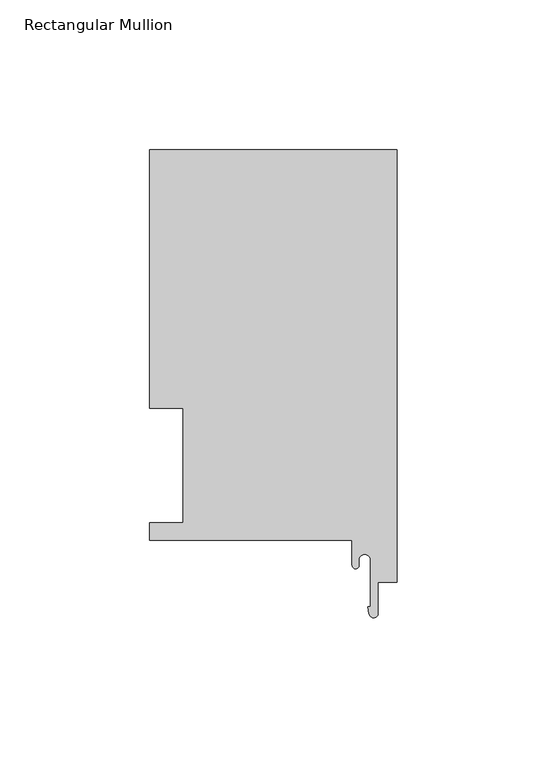
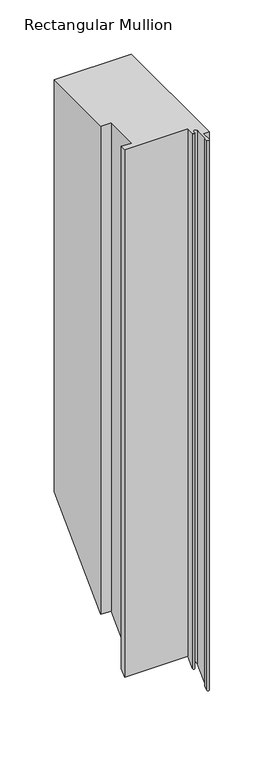
"""IFC4 building model written with IfcOpenShell, lengths in millimetres: member geometry, Rectangular Mullion."""

from ifc_helpers import new_model, si_unit, frame, origin, place, context, project, spatial, polyline, circle_curve, ellipse_curve, source, transform, mapped, element, save
from ifc_brep_helpers import plane_surface, cylinder_surface, revolved_surface, advanced_brep


def rectangular_mullion_2be46d3d(model_context):
    return source(origin(), model_context, "Body", "AdvancedBrep", [
        advanced_brep(
        [(-82.55, 130.6322, 0.0), (-82.55, 44.45, 0.0), (-71.4450019, 44.45, 0.0), (-71.4450019, 6.35, 0.0), (-82.55, 6.35, 0.0), (-82.55, 0.4064, 0.0), (-14.986, 0.4064, 0.0), (-14.986, -7.9405445, 0.0), (-12.7, -7.9405445, 0.0), (-12.7, -6.1214, 0.0), (-8.89, -6.1214, 0.0), (-8.89, -21.7079145, 0.0), (-9.6940977, -21.7079145, 0.0), (-9.338383, -24.1171734, 0.0), (-6.35, -23.8977531, 0.0), (-6.35, -13.5385716, 0.0), (0.0, -13.5385716, 0.0), (0.0, 130.6322, 0.0), (-82.55, 130.6322, -465.0228283), (-82.55, 44.45, -551.2050284), (-71.4450019, 44.45, -551.2050284), (-71.4450019, 6.35, -589.3050284), (-82.55, 6.35, -589.3050284), (-82.55, 0.4064, -595.2486283), (-14.986, 0.4064, -595.2486283), (-14.986, -7.9405445, -603.5955728), (-12.7, -7.9405445, -603.5955728), (-12.7, -6.1214, -601.7764283), (-8.89, -6.1214, -601.7764283), (-8.89, -21.7079145, -617.3629428), (-9.6940977, -21.7079145, -617.3629428), (-9.338383, -24.1171734, -619.7722018), (-6.35, -23.8977531, -619.5527815), (-6.35, -13.5385716, -609.1936), (0.0, -13.5385716, -609.1936), (0.0, 130.6322, -465.0228283)],
        [
            (0, 1),
            (1, 2),
            (2, 3),
            (3, 4),
            (4, 5),
            (5, 6),
            (6, 7),
            (7, 8, circle_curve(frame((-13.843, -7.9405445, 0.0), z_axis=(0.0, 0.0, 1.0), x_axis=(0.0, 1.0, 0.0)), 1.143)),
            (8, 9),
            (9, 10, circle_curve(frame((-10.795, -6.1214, 0.0), z_axis=(0.0, 0.0, -1.0), x_axis=(0.0, 1.0, 0.0)), 1.905)),
            (10, 11),
            (11, 12),
            (12, 13),
            (13, 14, circle_curve(frame((-7.8522469, -23.8977531, 0.0), z_axis=(0.0, 0.0, 1.0), x_axis=(0.0, 1.0, 0.0)), 1.5022469)),
            (14, 15),
            (15, 16),
            (16, 17),
            (17, 0),
            (0, 18),
            (18, 19),
            (19, 1),
            (19, 20),
            (20, 2),
            (20, 21),
            (21, 3),
            (21, 22),
            (22, 4),
            (22, 23),
            (23, 5),
            (23, 24),
            (24, 6),
            (24, 25),
            (25, 7),
            (25, 26, ellipse_curve(frame((-13.843, -7.9405445, -603.5955728), z_axis=(0.0, -0.7071067811865471, 0.707106781186548), x_axis=(0.0, 0.707106781186548, 0.707106781186547)), 1.6164461, 1.143)),
            (26, 8),
            (26, 27),
            (27, 9),
            (27, 28, ellipse_curve(frame((-10.795, -6.1214, -601.7764283), z_axis=(0.0, 0.7071067811865471, -0.707106781186548), x_axis=(0.0, -0.707106781186548, -0.707106781186547)), 2.6940768, 1.905)),
            (28, 10),
            (28, 29),
            (29, 11),
            (29, 30),
            (30, 12),
            (30, 31),
            (31, 13),
            (31, 32, ellipse_curve(frame((-7.8522469, -23.8977531, -619.5527815), z_axis=(0.0, -0.7071067811865471, 0.707106781186548), x_axis=(0.0, 0.707106781186548, 0.707106781186547)), 2.1244979, 1.5022469)),
            (32, 14),
            (32, 33),
            (33, 15),
            (33, 34),
            (34, 16),
            (34, 35),
            (35, 17),
            (35, 18),
        ],
        [
            plane_surface(frame((0.0, -154.5292017, 0.0), z_axis=(0.0, 0.0, 1.0), x_axis=(-1.0, 0.0, 0.0))),
            plane_surface(frame((-82.55, 130.6322, 0.0), z_axis=(-1.0, 0.0, 0.0), x_axis=(0.0, 0.0, -1.0))),
            plane_surface(frame((-82.55, 44.45, 0.0), z_axis=(0.0, -1.0, 0.0), x_axis=(0.0, 0.0, -1.0))),
            plane_surface(frame((-71.4450019, 44.45, 0.0), z_axis=(-1.0, 0.0, 0.0), x_axis=(0.0, 0.0, -1.0))),
            plane_surface(frame((-71.4450019, 6.35, 0.0), z_axis=(0.0, 1.0, 0.0), x_axis=(0.0, 0.0, -1.0))),
            plane_surface(frame((-82.55, 6.35, 0.0), z_axis=(-1.0, 0.0, 0.0), x_axis=(0.0, 0.0, -1.0))),
            plane_surface(frame((-82.55, 0.4064, 0.0), z_axis=(0.0, -1.0, 0.0), x_axis=(0.0, 0.0, -1.0))),
            plane_surface(frame((-14.986, 0.4064, 0.0), z_axis=(-1.0, 0.0, 0.0), x_axis=(0.0, 0.0, -1.0))),
            cylinder_surface(frame((-13.843, -7.9405445, 0.0), z_axis=(0.0, 0.0, 1.0), x_axis=(0.0, 1.0, 0.0)), 1.143),
            plane_surface(frame((-12.7, -7.9405445, 0.0), z_axis=(1.0, 0.0, 0.0), x_axis=(0.0, 0.0, -1.0))),
            revolved_surface(polyline([(-10.795, -4.2164, -603.6814282743173), (-10.795, -4.2164, 0.0)]), (-10.795, -6.1214, 0.0), (0.0, 0.0, -1.0)),
            plane_surface(frame((-8.89, -6.1214, 0.0), z_axis=(-1.0, 0.0, 0.0), x_axis=(0.0, 0.0, -1.0))),
            plane_surface(frame((-8.89, -21.7079145, 0.0), z_axis=(0.0, 1.0, 0.0), x_axis=(0.0, 0.0, -1.0))),
            plane_surface(frame((-9.6940977, -21.7079145, 0.0), z_axis=(-0.9892755186217809, -0.14606145369537674, 0.0), x_axis=(0.0, 0.0, -1.0))),
            cylinder_surface(frame((-7.8522469, -23.8977531, 0.0), z_axis=(0.0, 0.0, 1.0), x_axis=(0.0, 1.0, 0.0)), 1.5022469),
            plane_surface(frame((-6.35, -23.8977531, 0.0), z_axis=(1.0, 0.0, 0.0), x_axis=(0.0, 0.0, -1.0))),
            plane_surface(frame((-6.35, -13.5385716, 0.0), z_axis=(0.0, -1.0, 0.0), x_axis=(0.0, 0.0, -1.0))),
            plane_surface(frame((0.0, -13.5385716, 0.0), z_axis=(1.0, 0.0, 0.0), x_axis=(0.0, 0.0, -1.0))),
            plane_surface(frame((0.0, 130.6322, 0.0), z_axis=(0.0, 1.0, 0.0), x_axis=(0.0, 0.0, -1.0))),
            plane_surface(frame((-304.8, 0.0, -595.6550284), z_axis=(0.0, 0.7071067811865471, -0.707106781186548), x_axis=(0.0, 0.707106781186548, 0.7071067811865471))),
        ],
        [
            (0, [[1, 2, 3, 4, 5, 6, 7, 8, 9, 10, 11, 12, 13, 14, 15, 16, 17, 18]]),
            (1, [[-1, 19, 20, 21]]),
            (2, [[-2, -21, 22, 23]]),
            (3, [[-3, -23, 24, 25]]),
            (4, [[-4, -25, 26, 27]]),
            (5, [[-5, -27, 28, 29]]),
            (6, [[-6, -29, 30, 31]]),
            (7, [[-7, -31, 32, 33]]),
            (8, [[-8, -33, 34, 35]]),
            (9, [[-9, -35, 36, 37]]),
            (10, [[-10, -37, 38, 39]]),
            (11, [[-11, -39, 40, 41]]),
            (12, [[-12, -41, 42, 43]]),
            (13, [[-13, -43, 44, 45]]),
            (14, [[-14, -45, 46, 47]]),
            (15, [[-15, -47, 48, 49]]),
            (16, [[-16, -49, 50, 51]]),
            (17, [[-17, -51, 52, 53]]),
            (18, [[-18, -53, 54, -19]]),
            (19, [[-54, -52, -50, -48, -46, -44, -42, -40, -38, -36, -34, -32, -30, -28, -26, -24, -22, -20]]),
        ],
    ),
    ])


if __name__ == "__main__":
    model = new_model("IFC4")
    model_context = context("Model", 3, world=origin())
    ifc_project = project(units=[si_unit("LENGTHUNIT", "METRE", prefix="MILLI")], contexts=[model_context])
    site = spatial("IfcSite", under=ifc_project)
    building = spatial("IfcBuilding", under=site)
    placement = place(None, origin())
    rectangular_mullion_shape = rectangular_mullion_2be46d3d(model_context)
    element("IfcMember", 1, ObjectType="Rectangular Mullion", at=placement, inside=building, context=model_context, shape_type="MappedRepresentation", body=[
        mapped(rectangular_mullion_shape, transform((0.0, 0.0, 0.0), x_axis=(1.0, 0.0, 0.0), y_axis=(0.0, 1.0, 0.0), z_axis=(0.0, 0.0, 1.0))),
    ])
    save(model, "model.ifc")
